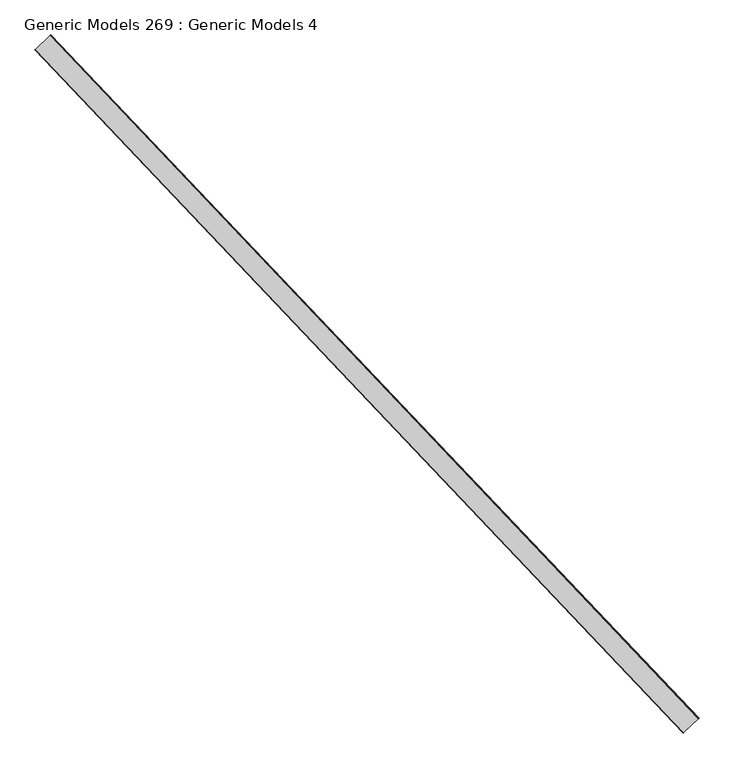
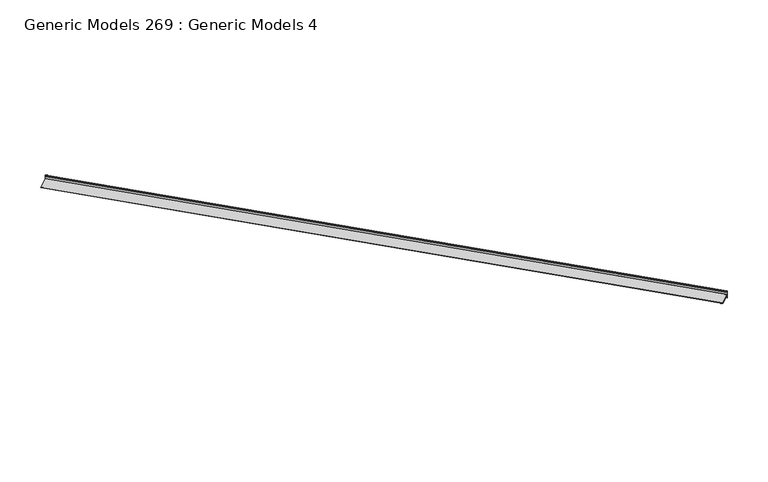
"""IFC4 building model written with IfcOpenShell, lengths in millimetres: proxy geometry, Generic Models 269 : Generic Models 4."""

from ifc_helpers import new_model, si_unit, point, frame, frame_2d, origin, place, context, project, spatial, polyline, circle_curve, trimmed, segment, composite_curve, outline, extrude, source, transform, mapped, element, save


def generic_models_269_generic_models_4_58d73f15(model_context):
    return source(origin(), model_context, "Body", "SweptSolid", [
        extrude(outline(composite_curve([segment(polyline([(101.6, 0.0), (101.6, -1.5874999), (91.2527837, -1.5874999), (84.9027837, -7.9375), (52.3875, -7.9375), (52.3875, -201.6125)]), True, "CONTINUOUS"), segment(trimmed(circle_curve(frame_2d((50.8, -201.6125)), 1.5875), [point((52.3875, -201.6125))], [point((49.2125, -201.6125))], False, "CARTESIAN"), True, "CONTINUOUS"), segment(polyline([(49.2125, -201.6125), (49.2125, -7.9375), (16.6972163, -7.9375), (10.3472163, -1.5874999), (0.0, -1.5874999), (0.0, 0.0), (101.6, 0.0)]), True, "CONTINUOUS")], self_intersect=False), holes=[composite_curve([segment(polyline([(49.2125, -6.35), (49.2125, -4.5960518)]), True, "CONTINUOUS"), segment(trimmed(circle_curve(frame_2d((50.8, -4.5960518)), 1.5875), [point((49.2125, -4.5960518))], [point((52.3875, -4.5960518))], False, "CARTESIAN"), True, "CONTINUOUS"), segment(polyline([(52.3875, -4.5960518), (52.3875, -6.35), (84.2452197, -6.35), (89.0077197, -1.5874999), (12.5922804, -1.5874999), (17.3547804, -6.35), (49.2125, -6.35)]), True, "CONTINUOUS")], self_intersect=False)]), frame((113565.174201, 53824.6696107, 16224.6748118), z_axis=(-0.6883545756936593, 0.7253743710123776, 0.0), x_axis=(0.0, 0.0, 1.0)), (0.0, 0.0, 1.0), 8832.85),
    ])


if __name__ == "__main__":
    model = new_model("IFC4")
    model_context = context("Model", 3, world=origin())
    ifc_project = project(units=[si_unit("LENGTHUNIT", "METRE", prefix="MILLI")], contexts=[model_context])
    site = spatial("IfcSite", under=ifc_project)
    building = spatial("IfcBuilding", under=site)
    placement = place(None, origin())
    generic_models_269_generic_models_4_shape = generic_models_269_generic_models_4_58d73f15(model_context)
    element("IfcBuildingElementProxy", 1, Name="Generic Models 269 : Generic Models 4", ObjectType="Generic Models 269 : Generic Models 4", at=placement, inside=building, context=model_context, shape_type="MappedRepresentation", body=[
        mapped(generic_models_269_generic_models_4_shape, transform((0.0, 0.0, 0.0), x_axis=(1.0, 0.0, 0.0), y_axis=(0.0, 1.0, 0.0), z_axis=(0.0, 0.0, 1.0))),
    ])
    save(model, "model.ifc")
